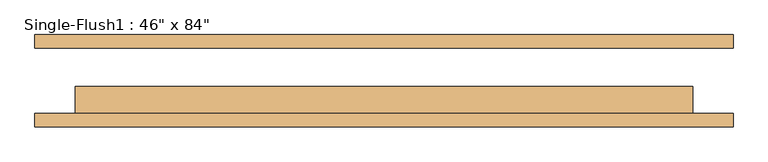
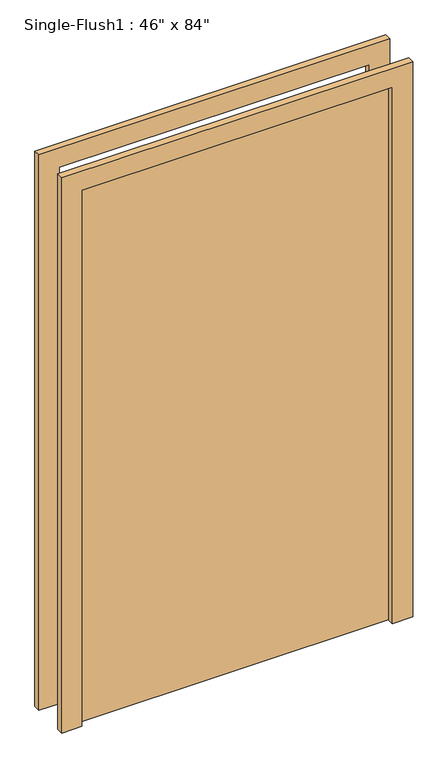
"""IFC4 building model written with IfcOpenShell, lengths in millimetres: door geometry."""

from ifc_helpers import new_model, si_unit, frame, origin, origin_with_axes, place, context, project, spatial, polyline, outline, extrude, source, transform, mapped, element, save


def door_5d69aa16(model_context):
    return source(origin(), model_context, "Body", "SweptSolid", [
        extrude(outline(polyline([(2209.8, -660.4), (0.0, -660.4), (0.0, -584.2), (2133.6, -584.2), (2133.6, 584.2), (0.0, 584.2), (0.0, 660.4), (2209.8, 660.4), (2209.8, -660.4)])), frame((0.0, -87.3125, 0.0), z_axis=(0.0, 1.0, 0.0), x_axis=(0.0, 0.0, 1.0)), (0.0, 0.0, 1.0), 25.4),
        extrude(outline(polyline([(2209.8, 660.4), (2209.8, -660.4), (0.0, -660.4), (0.0, -584.2), (2133.6, -584.2), (2133.6, 584.2), (0.0, 584.2), (0.0, 660.4), (2209.8, 660.4)])), frame((0.0, 61.9125, 0.0), z_axis=(0.0, 1.0, 0.0), x_axis=(0.0, 0.0, 1.0)), (0.0, 0.0, 1.0), 25.4),
        extrude(outline(polyline([(584.2, -11.1125), (584.2, -61.9125), (-584.2, -61.9125), (-584.2, -11.1125), (584.2, -11.1125)])), origin_with_axes(), (0.0, 0.0, 1.0), 2133.6),
    ])


if __name__ == "__main__":
    model = new_model("IFC4")
    model_context = context("Model", 3, world=origin())
    ifc_project = project(units=[si_unit("LENGTHUNIT", "METRE", prefix="MILLI")], contexts=[model_context])
    site = spatial("IfcSite", under=ifc_project)
    building = spatial("IfcBuilding", under=site)
    placement = place(None, origin())
    door_shape = door_5d69aa16(model_context)
    element("IfcDoor", 1, ObjectType="Single-Flush1 : 46\" x 84\"", at=placement, inside=building, context=model_context, shape_type="MappedRepresentation", body=[
        mapped(door_shape, transform((0.0, 0.0, 0.0), x_axis=(1.0, 0.0, 0.0), y_axis=(0.0, 1.0, 0.0), z_axis=(0.0, 0.0, 1.0))),
    ])
    save(model, "model.ifc")
